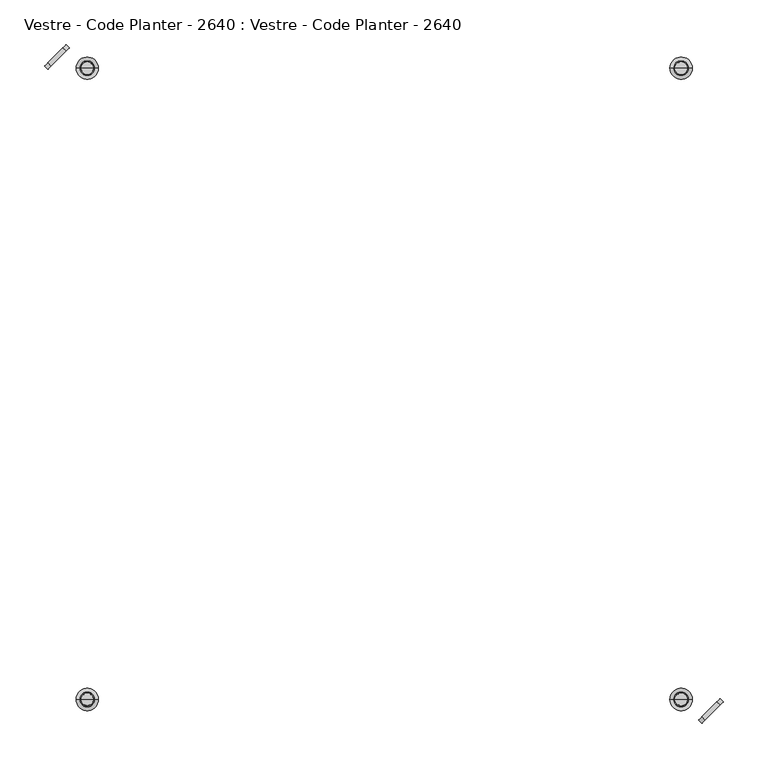
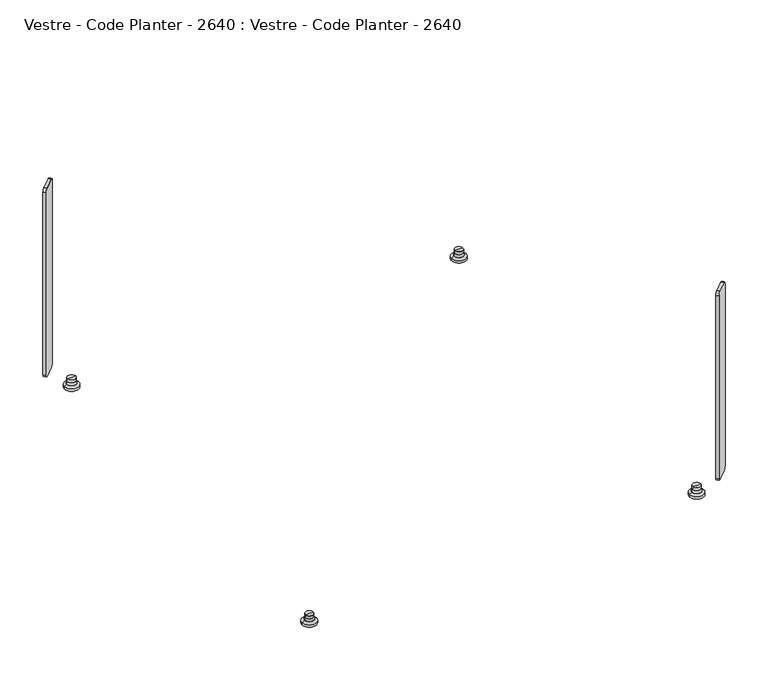
"""IFC4 building model written with IfcOpenShell, lengths in millimetres: furniture geometry, Vestre - Code Planter - 2640 : Vestre - Code Planter - 2640."""

from ifc_helpers import new_model, si_unit, point, frame, frame_2d, origin, place, context, project, spatial, polyline, circle_curve, ellipse_curve, trimmed, segment, composite_curve, outline, extrude, source, transform, mapped, element, save
from ifc_brep_helpers import plane_surface, cylinder_surface, revolved_surface, advanced_brep


def vestre_code_planter_2640_vestre_code_planter_2640_2ab0b440(model_context):
    return source(origin(), model_context, "Body", "SolidModel", [
        advanced_brep(
        [(345.0266752, 353.4677551, 4.0279529), (319.9733248, 353.4677551, 4.0279529), (319.9733248, 353.4677551, 0.0), (345.0266752, 353.4677551, 0.0), (341.0866069, 353.4677551, 6.765116), (323.9133931, 353.4677551, 6.765116), (339.6063717, 353.4677551, 11.1153947), (325.3936283, 353.4677551, 11.1153947), (324.3614786, 353.4677551, 7.3965204), (340.6385214, 353.4677551, 7.3965204), (339.4991773, 353.4677551, 16.475), (325.5008227, 353.4677551, 16.475), (325.5008227, 353.4677551, 11.9024454), (339.4991773, 353.4677551, 11.9024454), (332.5, 353.4677551, 16.475), (332.5, 353.4677551, 0.0)],
        [
            (0, 1, circle_curve(frame((332.5, 353.4677551, 4.0279529), z_axis=(0.0, 0.0, -1.0), x_axis=(-1.0, 0.0, 0.0)), 12.5266752)),
            (1, 2),
            (2, 3, circle_curve(frame((332.5, 353.4677551, 0.0), z_axis=(0.0, 0.0, 1.0), x_axis=(-1.0, 0.0, 0.0)), 12.5266752)),
            (3, 0),
            (1, 0, circle_curve(frame((332.5, 353.4677551, 4.0279529), z_axis=(0.0, 0.0, -1.0), x_axis=(-1.0, 0.0, 0.0)), 12.5266752)),
            (3, 2, circle_curve(frame((332.5, 353.4677551, 0.0), z_axis=(0.0, 0.0, 1.0), x_axis=(-1.0, 0.0, 0.0)), 12.5266752)),
            (4, 5, circle_curve(frame((332.5, 353.4677551, 6.765116), z_axis=(0.0, 0.0, -1.0), x_axis=(-1.0, 0.0, 0.0)), 8.5866069)),
            (5, 1),
            (0, 4),
            (5, 4, circle_curve(frame((332.5, 353.4677551, 6.765116), z_axis=(0.0, 0.0, -1.0), x_axis=(-1.0, 0.0, 0.0)), 8.5866069)),
            (6, 7, circle_curve(frame((332.5, 353.4677551, 11.1153947), z_axis=(0.0, 0.0, -1.0), x_axis=(-1.0, 0.0, 0.0)), 7.1063717)),
            (7, 8),
            (8, 9, circle_curve(frame((332.5, 353.4677551, 7.3965204), z_axis=(0.0, 0.0, 1.0), x_axis=(-1.0, 0.0, 0.0)), 8.1385214)),
            (9, 6),
            (7, 6, circle_curve(frame((332.5, 353.4677551, 11.1153947), z_axis=(0.0, 0.0, -1.0), x_axis=(-1.0, 0.0, 0.0)), 7.1063717)),
            (9, 8, circle_curve(frame((332.5, 353.4677551, 7.3965204), z_axis=(0.0, 0.0, 1.0), x_axis=(-1.0, 0.0, 0.0)), 8.1385214)),
            (10, 11, circle_curve(frame((332.5, 353.4677551, 16.475), z_axis=(0.0, 0.0, -1.0), x_axis=(-1.0, 0.0, 0.0)), 6.9991773)),
            (11, 12),
            (12, 13, circle_curve(frame((332.5, 353.4677551, 11.9024454), z_axis=(0.0, 0.0, 1.0), x_axis=(-1.0, 0.0, 0.0)), 6.9991773)),
            (13, 10),
            (11, 10, circle_curve(frame((332.5, 353.4677551, 16.475), z_axis=(0.0, 0.0, -1.0), x_axis=(-1.0, 0.0, 0.0)), 6.9991773)),
            (13, 12, circle_curve(frame((332.5, 353.4677551, 11.9024454), z_axis=(0.0, 0.0, 1.0), x_axis=(-1.0, 0.0, 0.0)), 6.9991773)),
            (14, 11),
            (10, 14),
            (2, 15),
            (15, 3),
            (8, 5, circle_curve(frame((323.2629503, 353.4677551, 7.7014099), z_axis=(0.0, 1.0, 0.0), x_axis=(-1.0, 0.0, 0.0)), 1.1400535)),
            (4, 9, circle_curve(frame((341.7370497, 353.4677551, 7.7014099), z_axis=(0.0, 1.0, 0.0), x_axis=(1.0, 0.0, 0.0)), 1.1400535)),
            (12, 7, circle_curve(frame((322.5578548, 353.4677551, 11.9024454), z_axis=(0.0, 1.0, 0.0), x_axis=(-1.0, 0.0, 0.0)), 2.9429678)),
            (6, 13, circle_curve(frame((342.4421452, 353.4677551, 11.9024454), z_axis=(0.0, 1.0, 0.0), x_axis=(1.0, 0.0, 0.0)), 2.9429678)),
        ],
        [
            cylinder_surface(frame((332.5, 353.4677551, 22.5805596), z_axis=(0.0, 0.0, 1.0), x_axis=(-1.0, 0.0, 0.0)), 12.5266752),
            revolved_surface(polyline([(319.9733248, 353.4677551, 4.0279529), (323.9133931, 353.4677551, 6.765116)]), (332.5, 353.4677551, 22.5805596), (0.0, 0.0, 1.0)),
            revolved_surface(polyline([(324.3614786, 353.4677551, 7.3965204), (325.3936283, 353.4677551, 11.1153947)]), (332.5, 353.4677551, 22.5805596), (0.0, 0.0, 1.0)),
            cylinder_surface(frame((332.5, 353.4677551, 22.5805596), z_axis=(0.0, 0.0, 1.0), x_axis=(-1.0, 0.0, 0.0)), 6.9991773),
            plane_surface(frame((332.5, 353.4677551, 16.475), z_axis=(0.0, 0.0, 1.0), x_axis=(-1.0, 0.0, 0.0))),
            plane_surface(frame((332.5, 353.4677551, 0.0), z_axis=(0.0, 0.0, -1.0), x_axis=(-1.0, 0.0, 0.0))),
            revolved_surface(trimmed(ellipse_curve(frame((323.2629503, 353.4677551, 7.7014099), z_axis=(0.0, -1.0, 0.0), x_axis=(-1.0, 0.0, 0.0)), 1.1400535, 1.1400535), [point((323.9133931, 353.4677551, 6.765116))], [point((324.3614786, 353.4677551, 7.3965204))], True, "CARTESIAN"), (332.5, 353.4677551, 22.5805596), (0.0, 0.0, 1.0)),
            revolved_surface(trimmed(ellipse_curve(frame((322.5578548, 353.4677551, 11.9024454), z_axis=(0.0, -1.0, 0.0), x_axis=(-1.0, 0.0, 0.0)), 2.9429678, 2.9429678), [point((325.3936283, 353.4677551, 11.1153947))], [point((325.5008227, 353.4677551, 11.9024454))], True, "CARTESIAN"), (332.5, 353.4677551, 22.5805596), (0.0, 0.0, 1.0)),
        ],
        [
            (0, [[1, 2, 3, 4]]),
            (0, [[5, -4, 6, -2]]),
            (1, [[7, 8, -1, 9]]),
            (1, [[10, -9, -5, -8]]),
            (2, [[11, 12, 13, 14]]),
            (2, [[15, -14, 16, -12]]),
            (3, [[17, 18, 19, 20]]),
            (3, [[21, -20, 22, -18]]),
            (4, [[23, -17, 24]]),
            (4, [[-24, -21, -23]]),
            (5, [[-3, 25, 26]]),
            (5, [[-6, -26, -25]]),
            (6, [[-13, 27, -7, 28]]),
            (6, [[-16, -28, -10, -27]]),
            (7, [[-19, 29, -11, 30]]),
            (7, [[-22, -30, -15, -29]]),
        ],
    ),
        advanced_brep(
        [(-345.0266752, 353.4677551, 0.0), (-319.9733248, 353.4677551, 0.0), (-319.9733248, 353.4677551, 4.0279529), (-345.0266752, 353.4677551, 4.0279529), (-323.9133931, 353.4677551, 6.765116), (-341.0866069, 353.4677551, 6.765116), (-340.6385214, 353.4677551, 7.3965204), (-324.3614786, 353.4677551, 7.3965204), (-325.3936283, 353.4677551, 11.1153947), (-339.6063717, 353.4677551, 11.1153947), (-339.4991773, 353.4677551, 11.9024454), (-325.5008227, 353.4677551, 11.9024454), (-325.5008227, 353.4677551, 16.475), (-339.4991773, 353.4677551, 16.475), (-332.5, 353.4677551, 16.475), (-332.5, 353.4677551, 0.0)],
        [
            (0, 1, circle_curve(frame((-332.5, 353.4677551, 0.0), z_axis=(0.0, 0.0, 1.0), x_axis=(1.0, 0.0, 0.0)), 12.5266752)),
            (1, 2),
            (2, 3, circle_curve(frame((-332.5, 353.4677551, 4.0279529), z_axis=(0.0, 0.0, -1.0), x_axis=(1.0, 0.0, 0.0)), 12.5266752)),
            (3, 0),
            (1, 0, circle_curve(frame((-332.5, 353.4677551, 0.0), z_axis=(0.0, 0.0, 1.0), x_axis=(1.0, 0.0, 0.0)), 12.5266752)),
            (3, 2, circle_curve(frame((-332.5, 353.4677551, 4.0279529), z_axis=(0.0, 0.0, -1.0), x_axis=(1.0, 0.0, 0.0)), 12.5266752)),
            (2, 4),
            (4, 5, circle_curve(frame((-332.5, 353.4677551, 6.765116), z_axis=(0.0, 0.0, -1.0), x_axis=(1.0, 0.0, 0.0)), 8.5866069)),
            (5, 3),
            (5, 4, circle_curve(frame((-332.5, 353.4677551, 6.765116), z_axis=(0.0, 0.0, -1.0), x_axis=(1.0, 0.0, 0.0)), 8.5866069)),
            (6, 7, circle_curve(frame((-332.5, 353.4677551, 7.3965204), z_axis=(0.0, 0.0, 1.0), x_axis=(1.0, 0.0, 0.0)), 8.1385214)),
            (7, 8),
            (8, 9, circle_curve(frame((-332.5, 353.4677551, 11.1153947), z_axis=(0.0, 0.0, -1.0), x_axis=(1.0, 0.0, 0.0)), 7.1063717)),
            (9, 6),
            (7, 6, circle_curve(frame((-332.5, 353.4677551, 7.3965204), z_axis=(0.0, 0.0, 1.0), x_axis=(1.0, 0.0, 0.0)), 8.1385214)),
            (9, 8, circle_curve(frame((-332.5, 353.4677551, 11.1153947), z_axis=(0.0, 0.0, -1.0), x_axis=(1.0, 0.0, 0.0)), 7.1063717)),
            (10, 11, circle_curve(frame((-332.5, 353.4677551, 11.9024454), z_axis=(0.0, 0.0, 1.0), x_axis=(1.0, 0.0, 0.0)), 6.9991773)),
            (11, 12),
            (12, 13, circle_curve(frame((-332.5, 353.4677551, 16.475), z_axis=(0.0, 0.0, -1.0), x_axis=(1.0, 0.0, 0.0)), 6.9991773)),
            (13, 10),
            (11, 10, circle_curve(frame((-332.5, 353.4677551, 11.9024454), z_axis=(0.0, 0.0, 1.0), x_axis=(1.0, 0.0, 0.0)), 6.9991773)),
            (13, 12, circle_curve(frame((-332.5, 353.4677551, 16.475), z_axis=(0.0, 0.0, -1.0), x_axis=(1.0, 0.0, 0.0)), 6.9991773)),
            (12, 14),
            (14, 13),
            (15, 1),
            (0, 15),
            (4, 7, circle_curve(frame((-323.2629503, 353.4677551, 7.7014099), z_axis=(0.0, 1.0, 0.0), x_axis=(1.0, 0.0, 0.0)), 1.1400535)),
            (6, 5, circle_curve(frame((-341.7370497, 353.4677551, 7.7014099), z_axis=(0.0, 1.0, 0.0), x_axis=(-1.0, 0.0, 0.0)), 1.1400535)),
            (8, 11, circle_curve(frame((-322.5578548, 353.4677551, 11.9024454), z_axis=(0.0, 1.0, 0.0), x_axis=(1.0, 0.0, 0.0)), 2.9429678)),
            (10, 9, circle_curve(frame((-342.4421452, 353.4677551, 11.9024454), z_axis=(0.0, 1.0, 0.0), x_axis=(-1.0, 0.0, 0.0)), 2.9429678)),
        ],
        [
            cylinder_surface(frame((-332.5, 353.4677551, 22.5805596), z_axis=(0.0, 0.0, -1.0), x_axis=(1.0, 0.0, 0.0)), 12.5266752),
            revolved_surface(polyline([(-323.9133931, 353.4677551, 6.765116), (-319.9733248, 353.4677551, 4.0279529)]), (-332.5, 353.4677551, 22.5805596), (0.0, 0.0, -1.0)),
            revolved_surface(polyline([(-325.3936283, 353.4677551, 11.1153947), (-324.3614786, 353.4677551, 7.3965204)]), (-332.5, 353.4677551, 22.5805596), (0.0, 0.0, -1.0)),
            cylinder_surface(frame((-332.5, 353.4677551, 22.5805596), z_axis=(0.0, 0.0, -1.0), x_axis=(1.0, 0.0, 0.0)), 6.9991773),
            plane_surface(frame((-332.5, 353.4677551, 16.475), z_axis=(0.0, 0.0, 1.0), x_axis=(1.0, 0.0, 0.0))),
            plane_surface(frame((-332.5, 353.4677551, 0.0), z_axis=(0.0, 0.0, -1.0), x_axis=(1.0, 0.0, 0.0))),
            revolved_surface(trimmed(ellipse_curve(frame((-323.2629503, 353.4677551, 7.7014099), z_axis=(0.0, -1.0, 0.0), x_axis=(1.0, 0.0, 0.0)), 1.1400535, 1.1400535), [point((-324.3614786, 353.4677551, 7.3965204))], [point((-323.9133931, 353.4677551, 6.765116))], True, "CARTESIAN"), (-332.5, 353.4677551, 22.5805596), (0.0, 0.0, -1.0)),
            revolved_surface(trimmed(ellipse_curve(frame((-322.5578548, 353.4677551, 11.9024454), z_axis=(0.0, -1.0, 0.0), x_axis=(1.0, 0.0, 0.0)), 2.9429678, 2.9429678), [point((-325.5008227, 353.4677551, 11.9024454))], [point((-325.3936283, 353.4677551, 11.1153947))], True, "CARTESIAN"), (-332.5, 353.4677551, 22.5805596), (0.0, 0.0, -1.0)),
        ],
        [
            (0, [[1, 2, 3, 4]]),
            (0, [[5, -4, 6, -2]]),
            (1, [[-3, 7, 8, 9]]),
            (1, [[-6, -9, 10, -7]]),
            (2, [[11, 12, 13, 14]]),
            (2, [[15, -14, 16, -12]]),
            (3, [[17, 18, 19, 20]]),
            (3, [[21, -20, 22, -18]]),
            (4, [[-19, 23, 24]]),
            (4, [[-22, -24, -23]]),
            (5, [[25, -1, 26]]),
            (5, [[-26, -5, -25]]),
            (6, [[-8, 27, -11, 28]]),
            (6, [[-10, -28, -15, -27]]),
            (7, [[-13, 29, -17, 30]]),
            (7, [[-16, -30, -21, -29]]),
        ],
    ),
        advanced_brep(
        [(345.0266752, -353.4677551, 0.0), (319.9733248, -353.4677551, 0.0), (319.9733248, -353.4677551, 4.0279529), (345.0266752, -353.4677551, 4.0279529), (323.9133931, -353.4677551, 6.765116), (341.0866069, -353.4677551, 6.765116), (340.6385214, -353.4677551, 7.3965204), (324.3614786, -353.4677551, 7.3965204), (325.3936283, -353.4677551, 11.1153947), (339.6063717, -353.4677551, 11.1153947), (339.4991773, -353.4677551, 11.9024454), (325.5008227, -353.4677551, 11.9024454), (325.5008227, -353.4677551, 16.475), (339.4991773, -353.4677551, 16.475), (332.5, -353.4677551, 16.475), (332.5, -353.4677551, 0.0)],
        [
            (0, 1, circle_curve(frame((332.5, -353.4677551, 0.0), z_axis=(0.0, 0.0, 1.0), x_axis=(-1.0, 0.0, 0.0)), 12.5266752)),
            (1, 2),
            (2, 3, circle_curve(frame((332.5, -353.4677551, 4.0279529), z_axis=(0.0, 0.0, -1.0), x_axis=(-1.0, 0.0, 0.0)), 12.5266752)),
            (3, 0),
            (1, 0, circle_curve(frame((332.5, -353.4677551, 0.0), z_axis=(0.0, 0.0, 1.0), x_axis=(-1.0, 0.0, 0.0)), 12.5266752)),
            (3, 2, circle_curve(frame((332.5, -353.4677551, 4.0279529), z_axis=(0.0, 0.0, -1.0), x_axis=(-1.0, 0.0, 0.0)), 12.5266752)),
            (2, 4),
            (4, 5, circle_curve(frame((332.5, -353.4677551, 6.765116), z_axis=(0.0, 0.0, -1.0), x_axis=(-1.0, 0.0, 0.0)), 8.5866069)),
            (5, 3),
            (5, 4, circle_curve(frame((332.5, -353.4677551, 6.765116), z_axis=(0.0, 0.0, -1.0), x_axis=(-1.0, 0.0, 0.0)), 8.5866069)),
            (6, 7, circle_curve(frame((332.5, -353.4677551, 7.3965204), z_axis=(0.0, 0.0, 1.0), x_axis=(-1.0, 0.0, 0.0)), 8.1385214)),
            (7, 8),
            (8, 9, circle_curve(frame((332.5, -353.4677551, 11.1153947), z_axis=(0.0, 0.0, -1.0), x_axis=(-1.0, 0.0, 0.0)), 7.1063717)),
            (9, 6),
            (7, 6, circle_curve(frame((332.5, -353.4677551, 7.3965204), z_axis=(0.0, 0.0, 1.0), x_axis=(-1.0, 0.0, 0.0)), 8.1385214)),
            (9, 8, circle_curve(frame((332.5, -353.4677551, 11.1153947), z_axis=(0.0, 0.0, -1.0), x_axis=(-1.0, 0.0, 0.0)), 7.1063717)),
            (10, 11, circle_curve(frame((332.5, -353.4677551, 11.9024454), z_axis=(0.0, 0.0, 1.0), x_axis=(-1.0, 0.0, 0.0)), 6.9991773)),
            (11, 12),
            (12, 13, circle_curve(frame((332.5, -353.4677551, 16.475), z_axis=(0.0, 0.0, -1.0), x_axis=(-1.0, 0.0, 0.0)), 6.9991773)),
            (13, 10),
            (11, 10, circle_curve(frame((332.5, -353.4677551, 11.9024454), z_axis=(0.0, 0.0, 1.0), x_axis=(-1.0, 0.0, 0.0)), 6.9991773)),
            (13, 12, circle_curve(frame((332.5, -353.4677551, 16.475), z_axis=(0.0, 0.0, -1.0), x_axis=(-1.0, 0.0, 0.0)), 6.9991773)),
            (12, 14),
            (14, 13),
            (15, 1),
            (0, 15),
            (4, 7, circle_curve(frame((323.2629503, -353.4677551, 7.7014099), z_axis=(0.0, -1.0, 0.0), x_axis=(-1.0, 0.0, 0.0)), 1.1400535)),
            (6, 5, circle_curve(frame((341.7370497, -353.4677551, 7.7014099), z_axis=(0.0, -1.0, 0.0), x_axis=(1.0, 0.0, 0.0)), 1.1400535)),
            (8, 11, circle_curve(frame((322.5578548, -353.4677551, 11.9024454), z_axis=(0.0, -1.0, 0.0), x_axis=(-1.0, 0.0, 0.0)), 2.9429678)),
            (10, 9, circle_curve(frame((342.4421452, -353.4677551, 11.9024454), z_axis=(0.0, -1.0, 0.0), x_axis=(1.0, 0.0, 0.0)), 2.9429678)),
        ],
        [
            cylinder_surface(frame((332.5, -353.4677551, 22.5805596), z_axis=(0.0, 0.0, -1.0), x_axis=(-1.0, 0.0, 0.0)), 12.5266752),
            revolved_surface(polyline([(323.9133931, -353.4677551, 6.765116), (319.9733248, -353.4677551, 4.0279529)]), (332.5, -353.4677551, 22.5805596), (0.0, 0.0, -1.0)),
            revolved_surface(polyline([(325.3936283, -353.4677551, 11.1153947), (324.3614786, -353.4677551, 7.3965204)]), (332.5, -353.4677551, 22.5805596), (0.0, 0.0, -1.0)),
            cylinder_surface(frame((332.5, -353.4677551, 22.5805596), z_axis=(0.0, 0.0, -1.0), x_axis=(-1.0, 0.0, 0.0)), 6.9991773),
            plane_surface(frame((332.5, -353.4677551, 16.475), z_axis=(0.0, 0.0, 1.0), x_axis=(-1.0, 0.0, 0.0))),
            plane_surface(frame((332.5, -353.4677551, 0.0), z_axis=(0.0, 0.0, -1.0), x_axis=(-1.0, 0.0, 0.0))),
            revolved_surface(trimmed(ellipse_curve(frame((323.2629503, -353.4677551, 7.7014099), z_axis=(0.0, 1.0, 0.0), x_axis=(-1.0, 0.0, 0.0)), 1.1400535, 1.1400535), [point((324.3614786, -353.4677551, 7.3965204))], [point((323.9133931, -353.4677551, 6.765116))], True, "CARTESIAN"), (332.5, -353.4677551, 22.5805596), (0.0, 0.0, -1.0)),
            revolved_surface(trimmed(ellipse_curve(frame((322.5578548, -353.4677551, 11.9024454), z_axis=(0.0, 1.0, 0.0), x_axis=(-1.0, 0.0, 0.0)), 2.9429678, 2.9429678), [point((325.5008227, -353.4677551, 11.9024454))], [point((325.3936283, -353.4677551, 11.1153947))], True, "CARTESIAN"), (332.5, -353.4677551, 22.5805596), (0.0, 0.0, -1.0)),
        ],
        [
            (0, [[1, 2, 3, 4]]),
            (0, [[5, -4, 6, -2]]),
            (1, [[-3, 7, 8, 9]]),
            (1, [[-6, -9, 10, -7]]),
            (2, [[11, 12, 13, 14]]),
            (2, [[15, -14, 16, -12]]),
            (3, [[17, 18, 19, 20]]),
            (3, [[21, -20, 22, -18]]),
            (4, [[-19, 23, 24]]),
            (4, [[-22, -24, -23]]),
            (5, [[25, -1, 26]]),
            (5, [[-26, -5, -25]]),
            (6, [[-8, 27, -11, 28]]),
            (6, [[-10, -28, -15, -27]]),
            (7, [[-13, 29, -17, 30]]),
            (7, [[-16, -30, -21, -29]]),
        ],
    ),
        advanced_brep(
        [(-345.0266752, -353.4677551, 4.0279529), (-319.9733248, -353.4677551, 4.0279529), (-319.9733248, -353.4677551, 0.0), (-345.0266752, -353.4677551, 0.0), (-341.0866069, -353.4677551, 6.765116), (-323.9133931, -353.4677551, 6.765116), (-339.6063717, -353.4677551, 11.1153947), (-325.3936283, -353.4677551, 11.1153947), (-324.3614786, -353.4677551, 7.3965204), (-340.6385214, -353.4677551, 7.3965204), (-339.4991773, -353.4677551, 16.475), (-325.5008227, -353.4677551, 16.475), (-325.5008227, -353.4677551, 11.9024454), (-339.4991773, -353.4677551, 11.9024454), (-332.5, -353.4677551, 16.475), (-332.5, -353.4677551, 0.0)],
        [
            (0, 1, circle_curve(frame((-332.5, -353.4677551, 4.0279529), z_axis=(0.0, 0.0, -1.0), x_axis=(1.0, 0.0, 0.0)), 12.5266752)),
            (1, 2),
            (2, 3, circle_curve(frame((-332.5, -353.4677551, 0.0), z_axis=(0.0, 0.0, 1.0), x_axis=(1.0, 0.0, 0.0)), 12.5266752)),
            (3, 0),
            (1, 0, circle_curve(frame((-332.5, -353.4677551, 4.0279529), z_axis=(0.0, 0.0, -1.0), x_axis=(1.0, 0.0, 0.0)), 12.5266752)),
            (3, 2, circle_curve(frame((-332.5, -353.4677551, 0.0), z_axis=(0.0, 0.0, 1.0), x_axis=(1.0, 0.0, 0.0)), 12.5266752)),
            (4, 5, circle_curve(frame((-332.5, -353.4677551, 6.765116), z_axis=(0.0, 0.0, -1.0), x_axis=(1.0, 0.0, 0.0)), 8.5866069)),
            (5, 1),
            (0, 4),
            (5, 4, circle_curve(frame((-332.5, -353.4677551, 6.765116), z_axis=(0.0, 0.0, -1.0), x_axis=(1.0, 0.0, 0.0)), 8.5866069)),
            (6, 7, circle_curve(frame((-332.5, -353.4677551, 11.1153947), z_axis=(0.0, 0.0, -1.0), x_axis=(1.0, 0.0, 0.0)), 7.1063717)),
            (7, 8),
            (8, 9, circle_curve(frame((-332.5, -353.4677551, 7.3965204), z_axis=(0.0, 0.0, 1.0), x_axis=(1.0, 0.0, 0.0)), 8.1385214)),
            (9, 6),
            (7, 6, circle_curve(frame((-332.5, -353.4677551, 11.1153947), z_axis=(0.0, 0.0, -1.0), x_axis=(1.0, 0.0, 0.0)), 7.1063717)),
            (9, 8, circle_curve(frame((-332.5, -353.4677551, 7.3965204), z_axis=(0.0, 0.0, 1.0), x_axis=(1.0, 0.0, 0.0)), 8.1385214)),
            (10, 11, circle_curve(frame((-332.5, -353.4677551, 16.475), z_axis=(0.0, 0.0, -1.0), x_axis=(1.0, 0.0, 0.0)), 6.9991773)),
            (11, 12),
            (12, 13, circle_curve(frame((-332.5, -353.4677551, 11.9024454), z_axis=(0.0, 0.0, 1.0), x_axis=(1.0, 0.0, 0.0)), 6.9991773)),
            (13, 10),
            (11, 10, circle_curve(frame((-332.5, -353.4677551, 16.475), z_axis=(0.0, 0.0, -1.0), x_axis=(1.0, 0.0, 0.0)), 6.9991773)),
            (13, 12, circle_curve(frame((-332.5, -353.4677551, 11.9024454), z_axis=(0.0, 0.0, 1.0), x_axis=(1.0, 0.0, 0.0)), 6.9991773)),
            (14, 11),
            (10, 14),
            (2, 15),
            (15, 3),
            (8, 5, circle_curve(frame((-323.2629503, -353.4677551, 7.7014099), z_axis=(0.0, -1.0, 0.0), x_axis=(1.0, 0.0, 0.0)), 1.1400535)),
            (4, 9, circle_curve(frame((-341.7370497, -353.4677551, 7.7014099), z_axis=(0.0, -1.0, 0.0), x_axis=(-1.0, 0.0, 0.0)), 1.1400535)),
            (12, 7, circle_curve(frame((-322.5578548, -353.4677551, 11.9024454), z_axis=(0.0, -1.0, 0.0), x_axis=(1.0, 0.0, 0.0)), 2.9429678)),
            (6, 13, circle_curve(frame((-342.4421452, -353.4677551, 11.9024454), z_axis=(0.0, -1.0, 0.0), x_axis=(-1.0, 0.0, 0.0)), 2.9429678)),
        ],
        [
            cylinder_surface(frame((-332.5, -353.4677551, 22.5805596), z_axis=(0.0, 0.0, 1.0), x_axis=(1.0, 0.0, 0.0)), 12.5266752),
            revolved_surface(polyline([(-319.9733248, -353.4677551, 4.0279529), (-323.9133931, -353.4677551, 6.765116)]), (-332.5, -353.4677551, 22.5805596), (0.0, 0.0, 1.0)),
            revolved_surface(polyline([(-324.3614786, -353.4677551, 7.3965204), (-325.3936283, -353.4677551, 11.1153947)]), (-332.5, -353.4677551, 22.5805596), (0.0, 0.0, 1.0)),
            cylinder_surface(frame((-332.5, -353.4677551, 22.5805596), z_axis=(0.0, 0.0, 1.0), x_axis=(1.0, 0.0, 0.0)), 6.9991773),
            plane_surface(frame((-332.5, -353.4677551, 16.475), z_axis=(0.0, 0.0, 1.0), x_axis=(1.0, 0.0, 0.0))),
            plane_surface(frame((-332.5, -353.4677551, 0.0), z_axis=(0.0, 0.0, -1.0), x_axis=(1.0, 0.0, 0.0))),
            revolved_surface(trimmed(ellipse_curve(frame((-323.2629503, -353.4677551, 7.7014099), z_axis=(0.0, 1.0, 0.0), x_axis=(1.0, 0.0, 0.0)), 1.1400535, 1.1400535), [point((-323.9133931, -353.4677551, 6.765116))], [point((-324.3614786, -353.4677551, 7.3965204))], True, "CARTESIAN"), (-332.5, -353.4677551, 22.5805596), (0.0, 0.0, 1.0)),
            revolved_surface(trimmed(ellipse_curve(frame((-322.5578548, -353.4677551, 11.9024454), z_axis=(0.0, 1.0, 0.0), x_axis=(1.0, 0.0, 0.0)), 2.9429678, 2.9429678), [point((-325.3936283, -353.4677551, 11.1153947))], [point((-325.5008227, -353.4677551, 11.9024454))], True, "CARTESIAN"), (-332.5, -353.4677551, 22.5805596), (0.0, 0.0, 1.0)),
        ],
        [
            (0, [[1, 2, 3, 4]]),
            (0, [[5, -4, 6, -2]]),
            (1, [[7, 8, -1, 9]]),
            (1, [[10, -9, -5, -8]]),
            (2, [[11, 12, 13, 14]]),
            (2, [[15, -14, 16, -12]]),
            (3, [[17, 18, 19, 20]]),
            (3, [[21, -20, 22, -18]]),
            (4, [[23, -17, 24]]),
            (4, [[-24, -21, -23]]),
            (5, [[-3, 25, 26]]),
            (5, [[-6, -26, -25]]),
            (6, [[-13, 27, -7, 28]]),
            (6, [[-16, -28, -10, -27]]),
            (7, [[-19, 29, -11, 30]]),
            (7, [[-22, -30, -15, -29]]),
        ],
    ),
        extrude(outline(composite_curve([segment(trimmed(circle_curve(frame_2d((23.9999999, -5.0)), 5.0), [point((23.9999999, 0.0))], [point((28.9999999, -5.0))], False, "CARTESIAN"), True, "CONTINUOUS"), segment(polyline([(28.9999999, -5.0), (28.9999999, -337.0)]), True, "CONTINUOUS"), segment(trimmed(circle_curve(frame_2d((23.9999999, -337.0)), 5.0), [point((28.9999999, -337.0))], [point((23.9999999, -342.0))], False, "CARTESIAN"), True, "CONTINUOUS"), segment(polyline([(23.9999999, -342.0), (0.0, -342.0)]), True, "CONTINUOUS"), segment(trimmed(circle_curve(frame_2d((0.0, -337.0)), 5.0), [point((0.0, -342.0))], [point((-5.0, -337.0))], False, "CARTESIAN"), True, "CONTINUOUS"), segment(polyline([(-5.0, -337.0), (-5.0, -5.0)]), True, "CONTINUOUS"), segment(trimmed(circle_curve(frame_2d((0.0, -5.0)), 5.0), [point((-5.0, -5.0))], [point((0.0, 0.0))], False, "CARTESIAN"), True, "CONTINUOUS"), segment(polyline([(0.0, 0.0), (23.9999999, 0.0)]), True, "CONTINUOUS")], self_intersect=False)), frame((376.2010101, -359.7304474, 373.475), z_axis=(-0.7071067811865507, 0.7071067811865444, 0.0), x_axis=(-0.7071067811865444, -0.7071067811865507, 0.0)), (0.0, 0.0, 1.0), 5.0),
        extrude(outline(composite_curve([segment(trimmed(circle_curve(frame_2d((0.0, -5.0)), 5.0), [point((0.0, 0.0))], [point((5.0, -5.0))], False, "CARTESIAN"), True, "CONTINUOUS"), segment(polyline([(5.0, -5.0), (5.0, -337.0)]), True, "CONTINUOUS"), segment(trimmed(circle_curve(frame_2d((0.0, -337.0)), 5.0), [point((5.0, -337.0))], [point((0.0, -342.0))], False, "CARTESIAN"), True, "CONTINUOUS"), segment(polyline([(0.0, -342.0), (-23.9999999, -342.0)]), True, "CONTINUOUS"), segment(trimmed(circle_curve(frame_2d((-23.9999999, -337.0)), 5.0), [point((-23.9999999, -342.0))], [point((-28.9999999, -337.0))], False, "CARTESIAN"), True, "CONTINUOUS"), segment(polyline([(-28.9999999, -337.0), (-28.9999999, -5.0)]), True, "CONTINUOUS"), segment(trimmed(circle_curve(frame_2d((-23.9999999, -5.0)), 5.0), [point((-28.9999999, -5.0))], [point((-23.9999999, 0.0))], False, "CARTESIAN"), True, "CONTINUOUS"), segment(polyline([(-23.9999999, 0.0), (0.0, 0.0)]), True, "CONTINUOUS")], self_intersect=False)), frame((-373.1654762, 355.6949135, 373.475), z_axis=(-0.7071067811865444, 0.7071067811865507, 0.0), x_axis=(-0.7071067811865507, -0.7071067811865444, 0.0)), (0.0, 0.0, 1.0), 5.0),
    ])


if __name__ == "__main__":
    model = new_model("IFC4")
    model_context = context("Model", 3, world=origin())
    ifc_project = project(units=[si_unit("LENGTHUNIT", "METRE", prefix="MILLI")], contexts=[model_context])
    site = spatial("IfcSite", under=ifc_project)
    building = spatial("IfcBuilding", under=site)
    placement = place(None, origin())
    vestre_code_planter_2640_vestre_code_planter_2640_shape = vestre_code_planter_2640_vestre_code_planter_2640_2ab0b440(model_context)
    element("IfcFurniture", 1, ObjectType="Vestre - Code Planter - 2640 : Vestre - Code Planter - 2640", at=placement, inside=building, context=model_context, shape_type="MappedRepresentation", body=[
        mapped(vestre_code_planter_2640_vestre_code_planter_2640_shape, transform((0.0, 0.0, 0.0), x_axis=(1.0, 0.0, 0.0), y_axis=(0.0, 1.0, 0.0), z_axis=(0.0, 0.0, 1.0))),
    ])
    save(model, "model.ifc")
